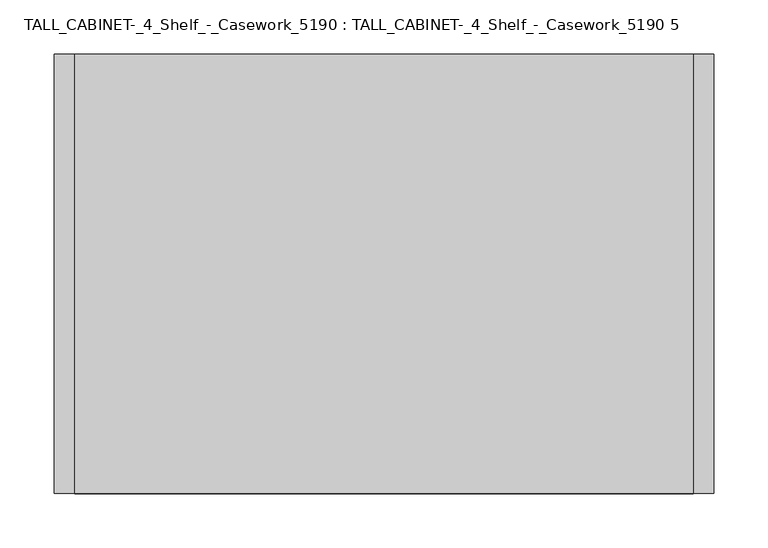
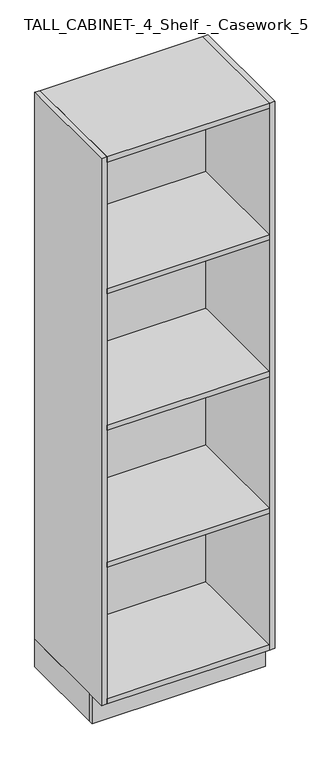
"""IFC4 building model written with IfcOpenShell, lengths in millimetres: furniture geometry, TALL_CABINET-_4_Shelf_-_Casework_5190 : TALL_CABINET-_4_Shelf_-_Casework_5190 5."""

from ifc_helpers import new_model, si_unit, frame, origin, origin_with_axes, place, context, project, spatial, polyline, outline, extrude, source, transform, mapped, element, save


def tall_cabinet_4_shelf_casework_5190_tall_cabinet_4_shelf_f9527222(model_context):
    return source(origin(), model_context, "Body", "SweptSolid", [
        extrude(outline(polyline([(179.990969, -330.2), (179.990969, 0.0), (199.040969, 0.0), (199.040969, -330.2), (179.990969, -330.2)])), origin_with_axes(), (0.0, 0.0, 1.0), 101.6),
        extrude(outline(polyline([(-410.559031, -330.2), (-410.559031, 0.0), (-391.509031, 0.0), (-391.509031, -330.2), (-410.559031, -330.2)])), origin_with_axes(), (0.0, 0.0, 1.0), 101.6),
        extrude(outline(polyline([(179.990969, -19.05), (179.990969, -406.4), (-391.509031, -406.4), (-391.509031, -19.05), (179.990969, -19.05)])), frame((0.0, 0.0, 1625.6), z_axis=(0.0, 0.0, 1.0), x_axis=(1.0, 0.0, 0.0)), (0.0, 0.0, 1.0), 19.05),
        extrude(outline(polyline([(179.990969, -19.05), (179.990969, -406.4), (-391.509031, -406.4), (-391.509031, -19.05), (179.990969, -19.05)])), frame((0.0, 0.0, 1117.6), z_axis=(0.0, 0.0, 1.0), x_axis=(1.0, 0.0, 0.0)), (0.0, 0.0, 1.0), 19.05),
        extrude(outline(polyline([(179.990969, -19.05), (179.990969, -406.4), (-391.509031, -406.4), (-391.509031, -19.05), (179.990969, -19.05)])), frame((0.0, 0.0, 609.6), z_axis=(0.0, 0.0, 1.0), x_axis=(1.0, 0.0, 0.0)), (0.0, 0.0, 1.0), 19.05),
        extrude(outline(polyline([(179.990969, -19.05), (179.990969, -406.4), (-391.509031, -406.4), (-391.509031, -19.05), (179.990969, -19.05)])), frame((0.0, 0.0, 101.6), z_axis=(0.0, 0.0, 1.0), x_axis=(1.0, 0.0, 0.0)), (0.0, 0.0, 1.0), 19.05),
        extrude(outline(polyline([(179.990969, -19.05), (-391.509031, -19.05), (-391.509031, 0.0), (179.990969, 0.0), (179.990969, -19.05)])), origin_with_axes(), (0.0, 0.0, 1.0), 2114.55),
        extrude(outline(polyline([(179.990969, 0.0), (179.990969, -406.4), (-391.509031, -406.4), (-391.509031, 0.0), (179.990969, 0.0)])), frame((0.0, 0.0, 2114.55), z_axis=(0.0, 0.0, 1.0), x_axis=(1.0, 0.0, 0.0)), (0.0, 0.0, 1.0), 19.05),
        extrude(outline(polyline([(179.990969, -406.4), (179.990969, 0.0), (199.040969, 0.0), (199.040969, -406.4), (179.990969, -406.4)])), frame((0.0, 0.0, 101.6), z_axis=(0.0, 0.0, 1.0), x_axis=(1.0, 0.0, 0.0)), (0.0, 0.0, 1.0), 2032.0),
        extrude(outline(polyline([(-410.559031, -406.4), (-410.559031, 0.0), (-391.509031, 0.0), (-391.509031, -406.4), (-410.559031, -406.4)])), frame((0.0, 0.0, 101.6), z_axis=(0.0, 0.0, 1.0), x_axis=(1.0, 0.0, 0.0)), (0.0, 0.0, 1.0), 2032.0),
        extrude(outline(polyline([(-410.559031, -349.25), (-410.559031, -330.2), (199.040969, -330.2), (199.040969, -349.25), (-410.559031, -349.25)])), origin_with_axes(), (0.0, 0.0, 1.0), 101.6),
    ])


if __name__ == "__main__":
    model = new_model("IFC4")
    model_context = context("Model", 3, world=origin())
    ifc_project = project(units=[si_unit("LENGTHUNIT", "METRE", prefix="MILLI")], contexts=[model_context])
    site = spatial("IfcSite", under=ifc_project)
    building = spatial("IfcBuilding", under=site)
    placement = place(None, origin())
    tall_cabinet_4_shelf_casework_5190_tall_cabinet_4_shelf_shape = tall_cabinet_4_shelf_casework_5190_tall_cabinet_4_shelf_f9527222(model_context)
    element("IfcFurniture", 1, ObjectType="TALL_CABINET-_4_Shelf_-_Casework_5190 : TALL_CABINET-_4_Shelf_-_Casework_5190 5", at=placement, inside=building, context=model_context, shape_type="MappedRepresentation", body=[
        mapped(tall_cabinet_4_shelf_casework_5190_tall_cabinet_4_shelf_shape, transform((0.0, 0.0, 0.0), x_axis=(1.0, 0.0, 0.0), y_axis=(0.0, 1.0, 0.0), z_axis=(0.0, 0.0, 1.0))),
    ])
    save(model, "model.ifc")
